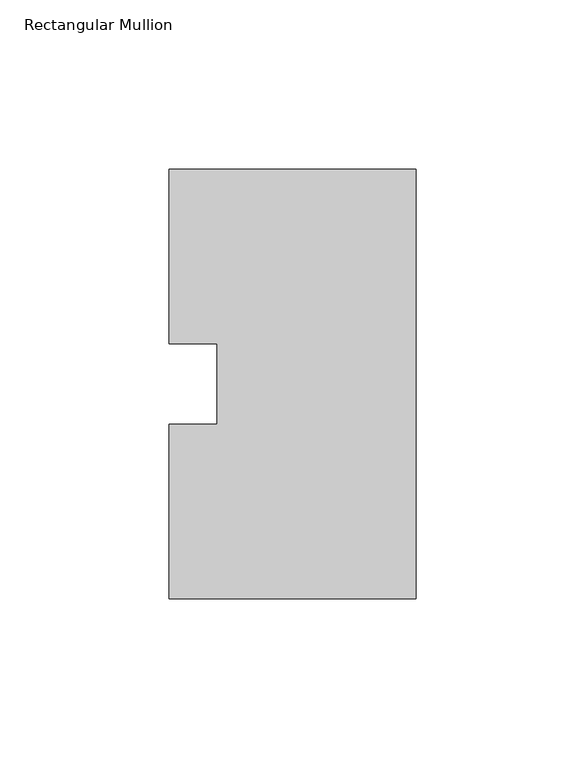
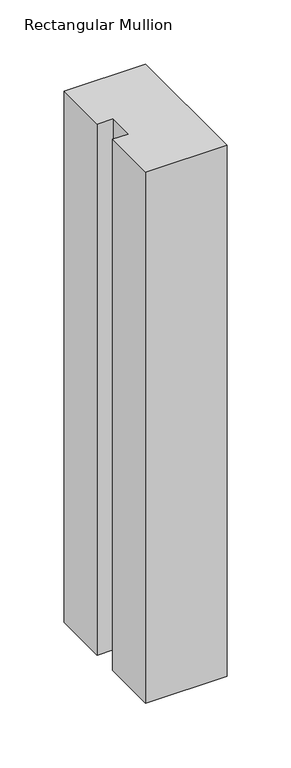
"""IFC4 building model written with IfcOpenShell, lengths in millimetres: member geometry, Rectangular Mullion."""

from ifc_helpers import new_model, si_unit, frame, origin, place, context, project, spatial, polyline, outline, extrude, source, transform, mapped, element, save


def rectangular_mullion_c447182c(model_context):
    return source(origin(), model_context, "Body", "SweptSolid", [
        extrude(outline(polyline([(0.0, 127.00635), (0.0, 0.00635), (-73.025, 0.00635), (-73.025, 51.60645), (-58.7375, 51.60645), (-58.7375, 75.40625), (-73.025, 75.40625), (-73.025, 127.00635), (0.0, 127.00635)])), frame((0.0, 0.0, -504.8247287), z_axis=(0.0, 0.0, 1.0), x_axis=(1.0, 0.0, 0.0)), (0.0, 0.0, 1.0), 504.8247287),
    ])


if __name__ == "__main__":
    model = new_model("IFC4")
    model_context = context("Model", 3, world=origin())
    ifc_project = project(units=[si_unit("LENGTHUNIT", "METRE", prefix="MILLI")], contexts=[model_context])
    site = spatial("IfcSite", under=ifc_project)
    building = spatial("IfcBuilding", under=site)
    placement = place(None, origin())
    rectangular_mullion_shape = rectangular_mullion_c447182c(model_context)
    element("IfcMember", 1, ObjectType="Rectangular Mullion", at=placement, inside=building, context=model_context, shape_type="MappedRepresentation", body=[
        mapped(rectangular_mullion_shape, transform((0.0, 0.0, 0.0), x_axis=(1.0, 0.0, 0.0), y_axis=(0.0, 1.0, 0.0), z_axis=(0.0, 0.0, 1.0))),
    ])
    save(model, "model.ifc")
